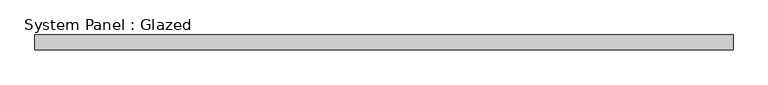
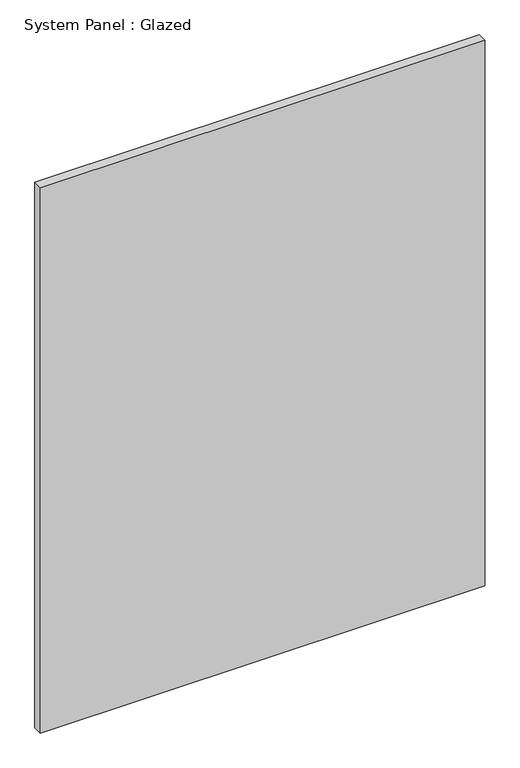
"""IFC4 building model written with IfcOpenShell, lengths in millimetres: plate geometry, System Panel : Glazed."""

from ifc_helpers import new_model, si_unit, origin, origin_with_axes, place, context, project, spatial, polyline, outline, extrude, source, transform, mapped, element, save


def system_panel_glazed_b5bb133b(model_context):
    return source(origin(), model_context, "Body", "SweptSolid", [
        extrude(outline(polyline([(587.5, -49.5), (-587.5, -49.5), (-587.5, -24.5), (587.5, -24.5), (587.5, -49.5)])), origin_with_axes(), (0.0, 0.0, 1.0), 1525.0),
    ])


if __name__ == "__main__":
    model = new_model("IFC4")
    model_context = context("Model", 3, world=origin())
    ifc_project = project(units=[si_unit("LENGTHUNIT", "METRE", prefix="MILLI")], contexts=[model_context])
    site = spatial("IfcSite", under=ifc_project)
    building = spatial("IfcBuilding", under=site)
    placement = place(None, origin())
    system_panel_glazed_shape = system_panel_glazed_b5bb133b(model_context)
    element("IfcPlate", 1, ObjectType="System Panel : Glazed", at=placement, inside=building, context=model_context, shape_type="MappedRepresentation", body=[
        mapped(system_panel_glazed_shape, transform((0.0, 0.0, 0.0), x_axis=(1.0, 0.0, 0.0), y_axis=(0.0, 1.0, 0.0), z_axis=(0.0, 0.0, 1.0))),
    ])
    save(model, "model.ifc")
